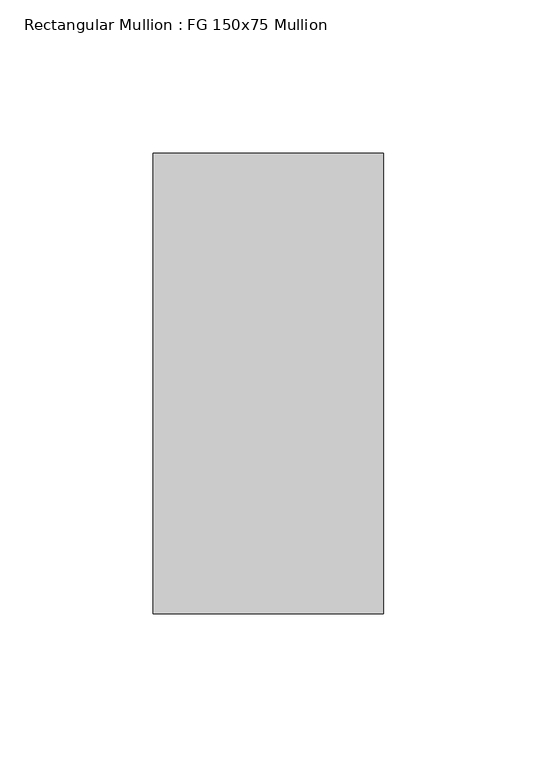
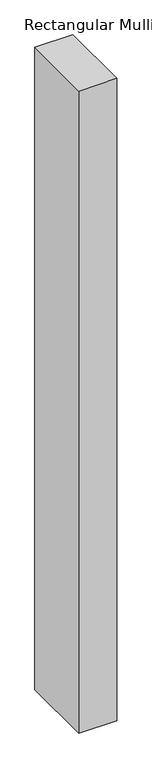
"""IFC4 building model written with IfcOpenShell, lengths in millimetres: member geometry, Rectangular Mullion : FG 150x75 Mullion."""

from ifc_helpers import new_model, si_unit, frame, origin, place, context, project, spatial, polyline, outline, extrude, source, transform, mapped, element, save


def rectangular_mullion_fg_150x75_mullion_fa2bd383(model_context):
    return source(origin(), model_context, "Body", "SweptSolid", [
        extrude(outline(polyline([(37.5, 75.0), (37.5, -75.0), (-37.5, -75.0), (-37.5, 75.0), (37.5, 75.0)])), frame((0.0, 0.0, -1340.6258685), z_axis=(0.0, 0.0, 1.0), x_axis=(1.0, 0.0, 0.0)), (0.0, 0.0, 1.0), 1340.6258685),
    ])


if __name__ == "__main__":
    model = new_model("IFC4")
    model_context = context("Model", 3, world=origin())
    ifc_project = project(units=[si_unit("LENGTHUNIT", "METRE", prefix="MILLI")], contexts=[model_context])
    site = spatial("IfcSite", under=ifc_project)
    building = spatial("IfcBuilding", under=site)
    placement = place(None, origin())
    rectangular_mullion_fg_150x75_mullion_shape = rectangular_mullion_fg_150x75_mullion_fa2bd383(model_context)
    element("IfcMember", 1, ObjectType="Rectangular Mullion : FG 150x75 Mullion", at=placement, inside=building, context=model_context, shape_type="MappedRepresentation", body=[
        mapped(rectangular_mullion_fg_150x75_mullion_shape, transform((0.0, 0.0, 0.0), x_axis=(1.0, 0.0, 0.0), y_axis=(0.0, 1.0, 0.0), z_axis=(0.0, 0.0, 1.0))),
    ])
    save(model, "model.ifc")
